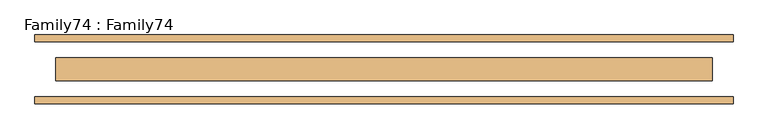
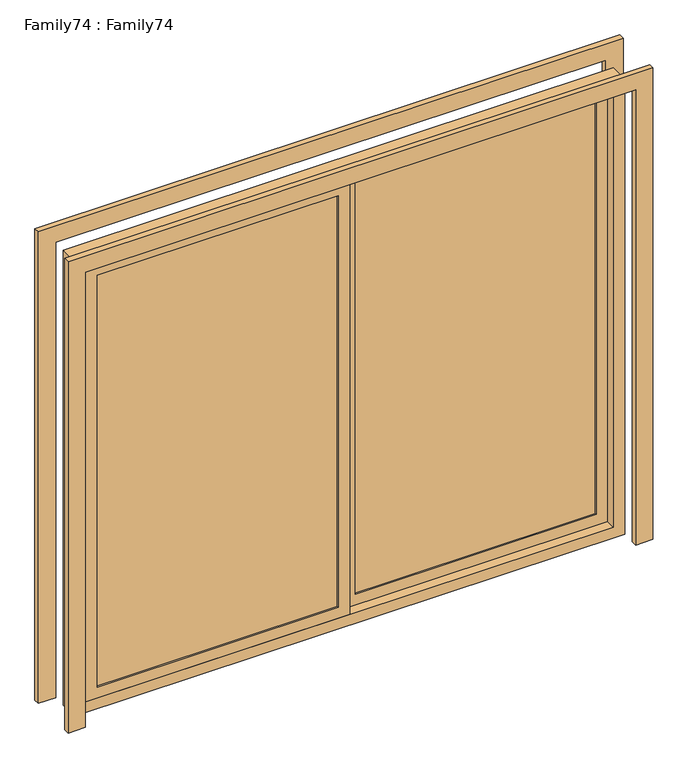
"""IFC4 building model written with IfcOpenShell, lengths in millimetres: door geometry, Family74 : Family74."""

from ifc_helpers import new_model, si_unit, frame, origin, place, context, project, spatial, polyline, outline, extrude, source, transform, mapped, element, save


def family74_family74_f830c249(model_context):
    return source(origin(), model_context, "Body", "SweptSolid", [
        extrude(outline(polyline([(2090.0, -1195.0), (2090.0, 1195.0), (0.0, 1195.0), (0.0, 1270.0), (2165.0, 1270.0), (2165.0, -1270.0), (0.0, -1270.0), (0.0, -1195.0), (2090.0, -1195.0)])), frame((0.0, 100.0, 0.0), z_axis=(0.0, 1.0, 0.0), x_axis=(0.0, 0.0, 1.0)), (0.0, 0.0, 1.0), 25.0),
        extrude(outline(polyline([(2165.0, -1270.0), (0.0, -1270.0), (0.0, -1195.0), (2090.0, -1195.0), (2090.0, 1195.0), (0.0, 1195.0), (0.0, 1270.0), (2165.0, 1270.0), (2165.0, -1270.0)])), frame((0.0, -125.0, 0.0), z_axis=(0.0, 1.0, 0.0), x_axis=(0.0, 0.0, 1.0)), (0.0, 0.0, 1.0), 25.0),
        extrude(outline(polyline([(-50.0, -31.0), (-50.0, -35.0), (-1095.0, -35.0), (-1095.0, -31.0), (-50.0, -31.0)])), frame((0.0, 0.0, 100.0), z_axis=(0.0, 0.0, 1.0), x_axis=(1.0, 0.0, 0.0)), (0.0, 0.0, 1.0), 1890.0),
        extrude(outline(polyline([(-1095.0, -7.0), (-50.0, -7.0), (-50.0, -11.0), (-1095.0, -11.0), (-1095.0, -7.0)])), frame((0.0, 0.0, 100.0), z_axis=(0.0, 0.0, 1.0), x_axis=(1.0, 0.0, 0.0)), (0.0, 0.0, 1.0), 1890.0),
        extrude(outline(polyline([(1095.0, 11.0), (1095.0, 7.0), (50.0, 7.0), (50.0, 11.0), (1095.0, 11.0)])), frame((0.0, 0.0, 100.0), z_axis=(0.0, 0.0, 1.0), x_axis=(1.0, 0.0, 0.0)), (0.0, 0.0, 1.0), 1890.0),
        extrude(outline(polyline([(50.0, 31.0), (50.0, 35.0), (1095.0, 35.0), (1095.0, 31.0), (50.0, 31.0)])), frame((0.0, 0.0, 100.0), z_axis=(0.0, 0.0, 1.0), x_axis=(1.0, 0.0, 0.0)), (0.0, 0.0, 1.0), 1890.0),
        extrude(outline(polyline([(2040.0, 1145.0), (2040.0, 0.0), (50.0, 0.0), (50.0, 1145.0), (2040.0, 1145.0)]), holes=[polyline([(100.0, 1095.0), (100.0, 50.0), (1990.0, 50.0), (1990.0, 1095.0), (100.0, 1095.0)])]), frame((0.0, 0.0, 0.0), z_axis=(0.0, 1.0, 0.0), x_axis=(0.0, 0.0, 1.0)), (0.0, 0.0, 1.0), 42.0),
        extrude(outline(polyline([(2040.0, 0.0), (2040.0, -1145.0), (50.0, -1145.0), (50.0, 0.0), (2040.0, 0.0)]), holes=[polyline([(100.0, -50.0), (100.0, -1095.0), (1990.0, -1095.0), (1990.0, -50.0), (100.0, -50.0)])]), frame((0.0, -42.0, 0.0), z_axis=(0.0, 1.0, 0.0), x_axis=(0.0, 0.0, 1.0)), (0.0, 0.0, 1.0), 42.0),
        extrude(outline(polyline([(2090.0, 1195.0), (2090.0, -1195.0), (0.0, -1195.0), (0.0, 1195.0), (2090.0, 1195.0)]), holes=[polyline([(50.0, -1145.0), (2040.0, -1145.0), (2040.0, 1145.0), (50.0, 1145.0), (50.0, -1145.0)])]), frame((0.0, -42.0, 0.0), z_axis=(0.0, 1.0, 0.0), x_axis=(0.0, 0.0, 1.0)), (0.0, 0.0, 1.0), 84.0),
    ])


if __name__ == "__main__":
    model = new_model("IFC4")
    model_context = context("Model", 3, world=origin())
    ifc_project = project(units=[si_unit("LENGTHUNIT", "METRE", prefix="MILLI")], contexts=[model_context])
    site = spatial("IfcSite", under=ifc_project)
    building = spatial("IfcBuilding", under=site)
    placement = place(None, origin())
    family74_family74_shape = family74_family74_f830c249(model_context)
    element("IfcDoor", 1, ObjectType="Family74 : Family74", at=placement, inside=building, context=model_context, shape_type="MappedRepresentation", body=[
        mapped(family74_family74_shape, transform((0.0, 0.0, 0.0), x_axis=(1.0, 0.0, 0.0), y_axis=(0.0, 1.0, 0.0), z_axis=(0.0, 0.0, 1.0))),
    ])
    save(model, "model.ifc")
